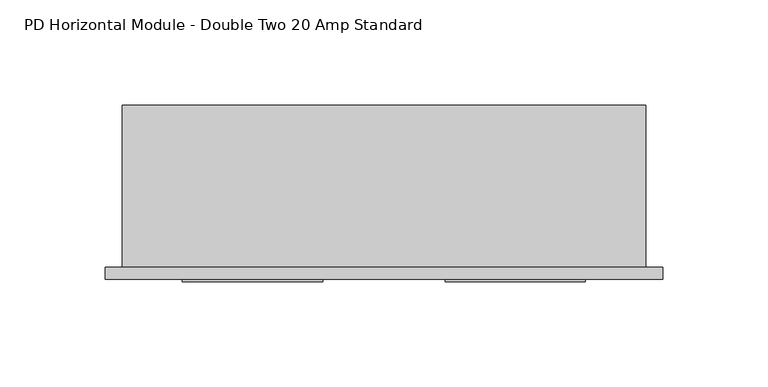
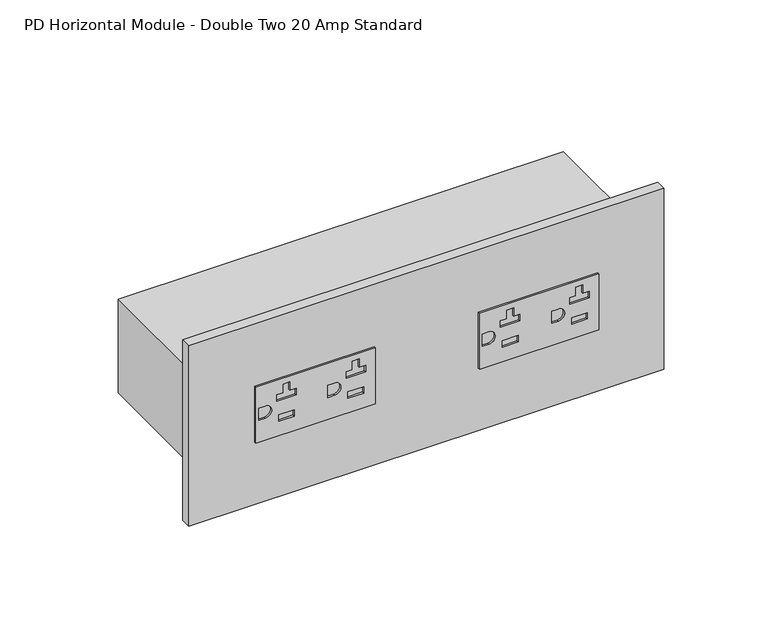
"""IFC4 building model written with IfcOpenShell, lengths in millimetres: proxy geometry, PD Horizontal Module - Double Two 20 Amp Standard."""

import ifcopenshell
import ifcopenshell.guid

model = None  # the IFC model being written
_history = None  # IfcOwnerHistory: only IFC2X3 demands one
_inside = {}  # id of a spatial element -> (the spatial element, [elements in it])
_under = {}  # id of a project, library or spatial element -> (it, [spatial elements below it])
_declared = {}  # id of a project -> (the project, [libraries it declares])
_typed = {}  # id of a type object -> (the type object, [elements of that type])
_made_of = {}  # id of a material, layer set ... -> (it, [elements and type objects made of it])


def new_model(schema):
    """Start an empty IFC model of exactly this schema.

    Asked for "IFC4X3", IfcOpenShell would pick the latest addendum, in which some entities
    have other attributes; the version numbers below select the first issue.
    IFC2X3 requires an IfcOwnerHistory on every rooted entity: one is made here for all.
    """
    global model, _history
    if schema == "IFC4X3":
        model = ifcopenshell.file(schema_version=(4, 3, 0, 0))
    else:
        model = ifcopenshell.file(schema=schema)
    _inside.clear()
    _under.clear()
    _declared.clear()
    _typed.clear()
    _made_of.clear()
    _history = None
    if model.schema == "IFC2X3":
        org = make("IfcOrganization", Name="unknown")
        user = make(
            "IfcPersonAndOrganization",
            ThePerson=make("IfcPerson", FamilyName="unknown"),
            TheOrganization=org,
        )
        app = make(
            "IfcApplication",
            ApplicationDeveloper=org,
            Version="unknown",
            ApplicationFullName="unknown",
            ApplicationIdentifier="unknown",
        )
        _history = make(
            "IfcOwnerHistory",
            OwningUser=user,
            OwningApplication=app,
            ChangeAction="ADDED",
            CreationDate=0,
        )
    return model


def make(cls, **values):
    """One entity of the class cls with the attributes given. An attribute that is None is left unset."""
    return model.create_entity(
        cls, **{name: value for name, value in values.items() if value is not None}
    )


def rooted(cls, **values):
    """An entity with a GlobalId (a new one), such as an element, a storey or a relation."""
    return make(cls, GlobalId=ifcopenshell.guid.new(), OwnerHistory=_history, **values)


def si_unit(unit_type, name, prefix=None):
    """IfcSIUnit, for example si_unit("LENGTHUNIT", "METRE", prefix="MILLI")."""
    return make("IfcSIUnit", UnitType=unit_type, Prefix=prefix, Name=name)


def assignment(units):
    """IfcUnitAssignment: the units of a project."""
    return None if units is None else make("IfcUnitAssignment", Units=units)


def point(xyz):
    """IfcCartesianPoint."""
    return None if xyz is None else make("IfcCartesianPoint", Coordinates=xyz)


def direction(xyz):
    """IfcDirection."""
    return None if xyz is None else make("IfcDirection", DirectionRatios=xyz)


def frame(location, z_axis=None, x_axis=None):
    """IfcAxis2Placement3D, a coordinate frame: its origin and axes. An axis left out is left unset."""
    return make(
        "IfcAxis2Placement3D",
        Location=point(location),
        Axis=direction(z_axis),
        RefDirection=direction(x_axis),
    )


def frame_2d(location, x_axis=None):
    """IfcAxis2Placement2D, a coordinate frame in the plane: its origin and x axis."""
    return make(
        "IfcAxis2Placement2D", Location=point(location), RefDirection=direction(x_axis)
    )


def origin():
    """The frame at (0, 0, 0) with its axes left unset."""
    return frame((0.0, 0.0, 0.0))


def place(relative_to, where):
    """IfcLocalPlacement: puts the frame where relative to a parent placement (None: the world)."""
    return make(
        "IfcLocalPlacement", PlacementRelTo=relative_to, RelativePlacement=where
    )


def context(
    kind, dimensions, precision=None, world=None, true_north=None, identifier=None
):
    """IfcGeometricRepresentationContext, for example the 3D "Model" context."""
    return make(
        "IfcGeometricRepresentationContext",
        ContextIdentifier=identifier,
        ContextType=kind,
        CoordinateSpaceDimension=dimensions,
        Precision=precision,
        WorldCoordinateSystem=world,
        TrueNorth=true_north,
    )


def project(units=None, contexts=None):
    """IfcProject with its units and contexts."""
    return rooted(
        "IfcProject",
        Name="project",
        RepresentationContexts=contexts,
        UnitsInContext=assignment(units),
    )


def spatial(cls, under=None, at=None, **own):
    """A site, building, storey or space (cls), placed at a placement, below another one or the project."""
    s = rooted(cls, ObjectPlacement=at, **own)
    if under is not None:
        _under.setdefault(under.id(), (under, []))[1].append(s)
    return s


def polyline(points):
    """IfcPolyline through the points."""
    return make("IfcPolyline", Points=[point(p) for p in points])


def circle_curve(where, radius):
    """IfcCircle in the frame where."""
    return make("IfcCircle", Position=where, Radius=radius)


def trimmed(basis, trim1, trim2, sense, master):
    """IfcTrimmedCurve: the piece of a basis curve between two trims."""
    return make(
        "IfcTrimmedCurve",
        BasisCurve=basis,
        Trim1=trim1,
        Trim2=trim2,
        SenseAgreement=sense,
        MasterRepresentation=master,
    )


def segment(curve, same_sense, transition):
    """IfcCompositeCurveSegment."""
    return make(
        "IfcCompositeCurveSegment",
        Transition=transition,
        SameSense=same_sense,
        ParentCurve=curve,
    )


def composite_curve(segments, self_intersect=None):
    """IfcCompositeCurve: segments joined end to end."""
    return make("IfcCompositeCurve", Segments=segments, SelfIntersect=self_intersect)


def outline(outer, holes=None, kind="AREA"):
    """IfcArbitraryClosedProfileDef: a profile drawn as a closed curve; with holes, ...WithVoids."""
    if holes is None:
        return make("IfcArbitraryClosedProfileDef", ProfileType=kind, OuterCurve=outer)
    return make(
        "IfcArbitraryProfileDefWithVoids",
        ProfileType=kind,
        OuterCurve=outer,
        InnerCurves=holes,
    )


def extrude(swept, where, along, depth):
    """IfcExtrudedAreaSolid: the profile swept, set in the frame where, extruded along a direction by depth."""
    return make(
        "IfcExtrudedAreaSolid",
        SweptArea=swept,
        Position=where,
        ExtrudedDirection=direction(along),
        Depth=depth,
    )


def shape(context_of_items, identifier, shape_type, items):
    """IfcShapeRepresentation: the items that make up one representation, for example the "Body"."""
    return make(
        "IfcShapeRepresentation",
        ContextOfItems=context_of_items,
        RepresentationIdentifier=identifier,
        RepresentationType=shape_type,
        Items=items,
    )


def source(mapping_origin, context_of_items, identifier, shape_type, items):
    """IfcRepresentationMap: a shape defined once, which mapped items show again and again."""
    return make(
        "IfcRepresentationMap",
        MappingOrigin=mapping_origin,
        MappedRepresentation=shape(context_of_items, identifier, shape_type, items),
    )


def transform(
    local_origin,
    x_axis=None,
    y_axis=None,
    z_axis=None,
    scale=None,
    scale2=None,
    scale3=None,
    uniform=True,
):
    """IfcCartesianTransformationOperator3D, or its non-uniform kind. x_axis, y_axis, z_axis: its Axis1, 2, 3."""
    if uniform:
        return make(
            "IfcCartesianTransformationOperator3D",
            Axis1=direction(x_axis),
            Axis2=direction(y_axis),
            LocalOrigin=point(local_origin),
            Scale=scale,
            Axis3=direction(z_axis),
        )
    return make(
        "IfcCartesianTransformationOperator3DnonUniform",
        Axis1=direction(x_axis),
        Axis2=direction(y_axis),
        LocalOrigin=point(local_origin),
        Scale=scale,
        Axis3=direction(z_axis),
        Scale2=scale2,
        Scale3=scale3,
    )


def mapped(mapping_source, mapping_target):
    """IfcMappedItem: shows the shape of a source again, moved by a transform."""
    return make(
        "IfcMappedItem", MappingSource=mapping_source, MappingTarget=mapping_target
    )


def made_of(thing, what):
    """Note that an element or type object is made of a material, layer set ...; save() writes the relation."""
    if what is not None:
        _made_of.setdefault(what.id(), (what, []))[1].append(thing)
    return thing


def element(
    cls,
    number,
    at=None,
    inside=None,
    cuts=None,
    type_object=None,
    material=None,
    context=None,
    identifier="Body",
    shape_type=None,
    held_by="IfcProductDefinitionShape",
    body=None,
    shapes=None,
    **own,
):
    """One element of the class cls, such as IfcWall. Its Tag is "e" and its number.

    at: its placement. inside: the storey or other place that contains it. cuts: it is an
    opening in that element (IfcRelVoidsElement). A single representation is given by context,
    identifier, shape_type and body (its items); several are given by shapes. held_by: the class
    of the entity that holds the representations. save() writes the other relations.
    """
    e = rooted(cls, Tag="e%d" % number, ObjectPlacement=at, **own)
    if body is not None:
        shapes = [shape(context, identifier, shape_type, body)]
    if shapes is not None:
        e.Representation = make(held_by, Representations=shapes)
    if inside is not None:
        _inside.setdefault(inside.id(), (inside, []))[1].append(e)
    if cuts is not None:
        rooted(
            "IfcRelVoidsElement", RelatingBuildingElement=cuts, RelatedOpeningElement=e
        )
    if type_object is not None:
        _typed.setdefault(type_object.id(), (type_object, []))[1].append(e)
    return made_of(e, material)


def aggregate(whole, parts):
    """IfcRelAggregates: a whole, such as a stair, and the parts it consists of."""
    return rooted("IfcRelAggregates", RelatingObject=whole, RelatedObjects=parts)


def save(model, path):
    """Write the relations noted so far, then the file.

    IfcRelAggregates (storeys below a building ...), IfcRelContainedInSpatialStructure (elements
    in a storey), IfcRelDefinesByType, IfcRelAssociatesMaterial and IfcRelDeclares: one each for
    every whole, place, type object, material and project.
    """
    for whole, parts in _under.values():
        aggregate(whole, parts)
    for where, things in _inside.values():
        rooted(
            "IfcRelContainedInSpatialStructure",
            RelatedElements=things,
            RelatingStructure=where,
        )
    for kind, things in _typed.values():
        rooted("IfcRelDefinesByType", RelatedObjects=things, RelatingType=kind)
    for what, things in _made_of.values():
        rooted("IfcRelAssociatesMaterial", RelatedObjects=things, RelatingMaterial=what)
    for by, libraries in _declared.values():
        rooted("IfcRelDeclares", RelatingContext=by, RelatedDefinitions=libraries)
    model.write(path)


def pd_horizontal_module_double_two_20_amp_standard_3f62b5b6(model_context):
    return source(origin(), model_context, "Body", "SweptSolid", [
        extrude(outline(polyline([(854.6077229, 153.6177375), (821.6131229, 153.6177375), (821.6131229, 220.2976041), (854.6077229, 220.2976041), (854.6077229, 153.6177375)]), holes=[composite_curve([segment(trimmed(circle_curve(frame_2d((838.1104229, 158.7899344)), 3.6322), [point((841.7426229, 158.7899344))], [point((834.4782229, 158.7899344))], True, "CARTESIAN"), True, "CONTINUOUS"), segment(polyline([(834.4782229, 158.7899344), (834.4782229, 155.1577344), (841.7426229, 155.1577344), (841.7426229, 158.7899344)]), True, "CONTINUOUS")], self_intersect=False), polyline([(846.1104069, 168.8173032), (851.2064089, 168.8173032), (851.2064089, 172.6781032), (846.1104069, 172.6781032), (846.1104069, 176.1776924), (842.2804146, 176.1776924), (842.2804146, 165.3177141), (846.1104069, 165.3177141), (846.1104069, 168.8173032)]), composite_curve([segment(polyline([(834.4782229, 197.5249344), (834.4782229, 193.8927344), (841.7426229, 193.8927344), (841.7426229, 197.5249344)]), True, "CONTINUOUS"), segment(trimmed(circle_curve(frame_2d((838.1104229, 197.5249344)), 3.6322), [point((841.7426229, 197.5249344))], [point((834.4782229, 197.5249344))], True, "CARTESIAN"), True, "CONTINUOUS")], self_intersect=False), polyline([(846.1104069, 207.5572257), (851.2064089, 207.5572257), (851.2064089, 211.4180257), (846.1104069, 211.4180257), (846.1104069, 214.9176149), (842.2804146, 214.9176149), (842.2804146, 204.0576366), (846.1104069, 204.0576366), (846.1104069, 207.5572257)]), polyline([(833.9404313, 213.9176169), (830.1104389, 213.9176169), (830.1104389, 205.0576346), (833.9404313, 205.0576346), (833.9404313, 213.9176169)]), polyline([(833.9404313, 175.1776944), (830.1104389, 175.1776944), (830.1104389, 166.3177121), (833.9404313, 166.3177121), (833.9404313, 175.1776944)])]), frame((0.0, -6.9294746, 0.0), z_axis=(0.0, 1.0, 0.0), x_axis=(0.0, 0.0, 1.0)), (0.0, 0.0, 1.0), 1.0366746),
        extrude(outline(polyline([(854.6103899, 28.5842992), (821.6104559, 28.5842992), (821.6104559, 95.2641659), (854.6103899, 95.2641659), (854.6103899, 28.5842992)]), holes=[composite_curve([segment(trimmed(circle_curve(frame_2d((838.1082157, 33.7564961)), 3.6322), [point((841.7404157, 33.7564961))], [point((834.4760157, 33.7564961))], True, "CARTESIAN"), True, "CONTINUOUS"), segment(polyline([(834.4760157, 33.7564961), (834.4760157, 30.1242961), (841.7404157, 30.1242961), (841.7404157, 33.7564961)]), True, "CONTINUOUS")], self_intersect=False), polyline([(846.1104069, 43.783865), (851.2064089, 43.783865), (851.2064089, 47.644665), (846.1104069, 47.644665), (846.1104069, 51.1442541), (842.2804146, 51.1442541), (842.2804146, 40.2842758), (846.1104069, 40.2842758), (846.1104069, 43.783865)]), polyline([(833.9404313, 50.1442561), (830.1104389, 50.1442561), (830.1104389, 41.2842738), (833.9404313, 41.2842738), (833.9404313, 50.1442561)]), composite_curve([segment(polyline([(834.4760157, 72.4964187), (834.4760157, 68.8642187), (841.7404157, 68.8642187), (841.7404157, 72.4964187)]), True, "CONTINUOUS"), segment(trimmed(circle_curve(frame_2d((838.1082157, 72.4964187)), 3.6322), [point((841.7404157, 72.4964187))], [point((834.4760157, 72.4964187))], True, "CARTESIAN"), True, "CONTINUOUS")], self_intersect=False), polyline([(846.1104069, 82.5237875), (851.2064089, 82.5237875), (851.2064089, 86.3845875), (846.1104069, 86.3845875), (846.1104069, 89.8841766), (842.2804146, 89.8841766), (842.2804146, 79.0241983), (846.1104069, 79.0241983), (846.1104069, 82.5237875)]), polyline([(833.9404313, 88.8841786), (830.1104389, 88.8841786), (830.1104389, 80.0241963), (833.9404313, 80.0241963), (833.9404313, 88.8841786)])]), frame((0.0, -6.9294746, 0.0), z_axis=(0.0, 1.0, 0.0), x_axis=(0.0, 0.0, 1.0)), (0.0, 0.0, 1.0), 1.0366746),
        extrude(outline(polyline([(-8.2450977, 0.0), (257.1652913, 0.0), (257.1652913, -5.8928), (-8.2450977, -5.8928), (-8.2450977, 0.0)])), frame((0.0, 0.0, 784.6718508), z_axis=(0.0, 0.0, 1.0), x_axis=(1.0, 0.0, 0.0)), (0.0, 0.0, 1.0), 106.8771443),
        extrude(outline(polyline([(248.92, 0.0), (0.0, 0.0), (0.0, 77.054), (248.92, 77.054), (248.92, 0.0)])), frame((0.0, 0.0, 810.3355229), z_axis=(0.0, 0.0, 1.0), x_axis=(1.0, 0.0, 0.0)), (0.0, 0.0, 1.0), 55.5498),
    ])


if __name__ == "__main__":
    model = new_model("IFC4")
    model_context = context("Model", 3, world=origin())
    ifc_project = project(units=[si_unit("LENGTHUNIT", "METRE", prefix="MILLI")], contexts=[model_context])
    site = spatial("IfcSite", under=ifc_project)
    building = spatial("IfcBuilding", under=site)
    placement = place(None, origin())
    pd_horizontal_module_double_two_20_amp_standard_shape = pd_horizontal_module_double_two_20_amp_standard_3f62b5b6(model_context)
    element("IfcBuildingElementProxy", 1, Name="PD Horizontal Module - Double Two 20 Amp Standard", ObjectType="PD Horizontal Module - Double Two 20 Amp Standard", at=placement, inside=building, context=model_context, shape_type="MappedRepresentation", body=[
        mapped(pd_horizontal_module_double_two_20_amp_standard_shape, transform((0.0, 0.0, 0.0), x_axis=(1.0, 0.0, 0.0), y_axis=(0.0, 1.0, 0.0), z_axis=(0.0, 0.0, 1.0))),
    ])
    save(model, "model.ifc")
